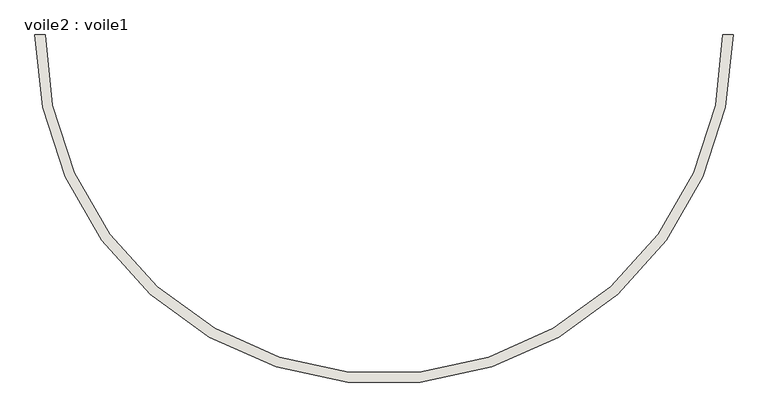
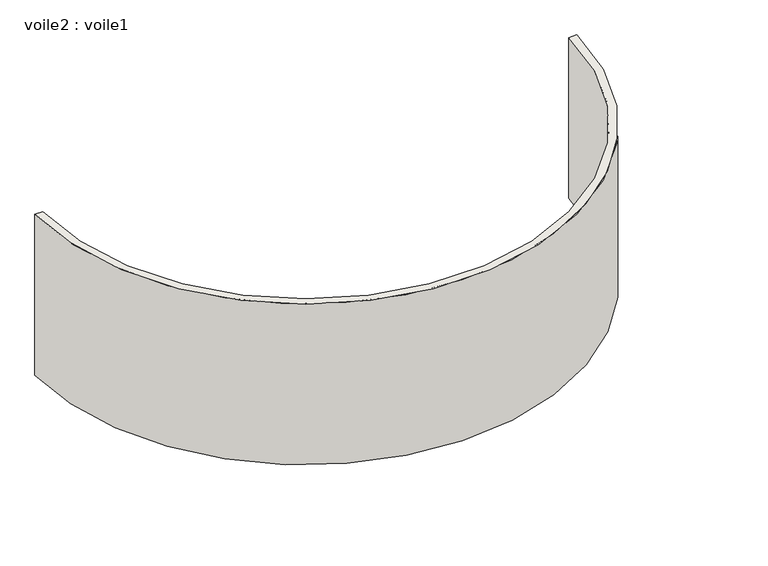
"""IFC4 building model written with IfcOpenShell, lengths in millimetres: wall geometry, voile2 : voile1."""

import ifcopenshell
import ifcopenshell.guid

model = None  # the IFC model being written
_history = None  # IfcOwnerHistory: only IFC2X3 demands one
_inside = {}  # id of a spatial element -> (the spatial element, [elements in it])
_under = {}  # id of a project, library or spatial element -> (it, [spatial elements below it])
_declared = {}  # id of a project -> (the project, [libraries it declares])
_typed = {}  # id of a type object -> (the type object, [elements of that type])
_made_of = {}  # id of a material, layer set ... -> (it, [elements and type objects made of it])


def new_model(schema):
    """Start an empty IFC model of exactly this schema.

    Asked for "IFC4X3", IfcOpenShell would pick the latest addendum, in which some entities
    have other attributes; the version numbers below select the first issue.
    IFC2X3 requires an IfcOwnerHistory on every rooted entity: one is made here for all.
    """
    global model, _history
    if schema == "IFC4X3":
        model = ifcopenshell.file(schema_version=(4, 3, 0, 0))
    else:
        model = ifcopenshell.file(schema=schema)
    _inside.clear()
    _under.clear()
    _declared.clear()
    _typed.clear()
    _made_of.clear()
    _history = None
    if model.schema == "IFC2X3":
        org = make("IfcOrganization", Name="unknown")
        user = make(
            "IfcPersonAndOrganization",
            ThePerson=make("IfcPerson", FamilyName="unknown"),
            TheOrganization=org,
        )
        app = make(
            "IfcApplication",
            ApplicationDeveloper=org,
            Version="unknown",
            ApplicationFullName="unknown",
            ApplicationIdentifier="unknown",
        )
        _history = make(
            "IfcOwnerHistory",
            OwningUser=user,
            OwningApplication=app,
            ChangeAction="ADDED",
            CreationDate=0,
        )
    return model


def make(cls, **values):
    """One entity of the class cls with the attributes given. An attribute that is None is left unset."""
    return model.create_entity(
        cls, **{name: value for name, value in values.items() if value is not None}
    )


def rooted(cls, **values):
    """An entity with a GlobalId (a new one), such as an element, a storey or a relation."""
    return make(cls, GlobalId=ifcopenshell.guid.new(), OwnerHistory=_history, **values)


def si_unit(unit_type, name, prefix=None):
    """IfcSIUnit, for example si_unit("LENGTHUNIT", "METRE", prefix="MILLI")."""
    return make("IfcSIUnit", UnitType=unit_type, Prefix=prefix, Name=name)


def assignment(units):
    """IfcUnitAssignment: the units of a project."""
    return None if units is None else make("IfcUnitAssignment", Units=units)


def point(xyz):
    """IfcCartesianPoint."""
    return None if xyz is None else make("IfcCartesianPoint", Coordinates=xyz)


def direction(xyz):
    """IfcDirection."""
    return None if xyz is None else make("IfcDirection", DirectionRatios=xyz)


def frame(location, z_axis=None, x_axis=None):
    """IfcAxis2Placement3D, a coordinate frame: its origin and axes. An axis left out is left unset."""
    return make(
        "IfcAxis2Placement3D",
        Location=point(location),
        Axis=direction(z_axis),
        RefDirection=direction(x_axis),
    )


def frame_2d(location, x_axis=None):
    """IfcAxis2Placement2D, a coordinate frame in the plane: its origin and x axis."""
    return make(
        "IfcAxis2Placement2D", Location=point(location), RefDirection=direction(x_axis)
    )


def origin():
    """The frame at (0, 0, 0) with its axes left unset."""
    return frame((0.0, 0.0, 0.0))


def place(relative_to, where):
    """IfcLocalPlacement: puts the frame where relative to a parent placement (None: the world)."""
    return make(
        "IfcLocalPlacement", PlacementRelTo=relative_to, RelativePlacement=where
    )


def context(
    kind, dimensions, precision=None, world=None, true_north=None, identifier=None
):
    """IfcGeometricRepresentationContext, for example the 3D "Model" context."""
    return make(
        "IfcGeometricRepresentationContext",
        ContextIdentifier=identifier,
        ContextType=kind,
        CoordinateSpaceDimension=dimensions,
        Precision=precision,
        WorldCoordinateSystem=world,
        TrueNorth=true_north,
    )


def project(units=None, contexts=None):
    """IfcProject with its units and contexts."""
    return rooted(
        "IfcProject",
        Name="project",
        RepresentationContexts=contexts,
        UnitsInContext=assignment(units),
    )


def spatial(cls, under=None, at=None, **own):
    """A site, building, storey or space (cls), placed at a placement, below another one or the project."""
    s = rooted(cls, ObjectPlacement=at, **own)
    if under is not None:
        _under.setdefault(under.id(), (under, []))[1].append(s)
    return s


def polyline(points):
    """IfcPolyline through the points."""
    return make("IfcPolyline", Points=[point(p) for p in points])


def circle_curve(where, radius):
    """IfcCircle in the frame where."""
    return make("IfcCircle", Position=where, Radius=radius)


def trimmed(basis, trim1, trim2, sense, master):
    """IfcTrimmedCurve: the piece of a basis curve between two trims."""
    return make(
        "IfcTrimmedCurve",
        BasisCurve=basis,
        Trim1=trim1,
        Trim2=trim2,
        SenseAgreement=sense,
        MasterRepresentation=master,
    )


def segment(curve, same_sense, transition):
    """IfcCompositeCurveSegment."""
    return make(
        "IfcCompositeCurveSegment",
        Transition=transition,
        SameSense=same_sense,
        ParentCurve=curve,
    )


def composite_curve(segments, self_intersect=None):
    """IfcCompositeCurve: segments joined end to end."""
    return make("IfcCompositeCurve", Segments=segments, SelfIntersect=self_intersect)


def outline(outer, holes=None, kind="AREA"):
    """IfcArbitraryClosedProfileDef: a profile drawn as a closed curve; with holes, ...WithVoids."""
    if holes is None:
        return make("IfcArbitraryClosedProfileDef", ProfileType=kind, OuterCurve=outer)
    return make(
        "IfcArbitraryProfileDefWithVoids",
        ProfileType=kind,
        OuterCurve=outer,
        InnerCurves=holes,
    )


def extrude(swept, where, along, depth):
    """IfcExtrudedAreaSolid: the profile swept, set in the frame where, extruded along a direction by depth."""
    return make(
        "IfcExtrudedAreaSolid",
        SweptArea=swept,
        Position=where,
        ExtrudedDirection=direction(along),
        Depth=depth,
    )


def shape(context_of_items, identifier, shape_type, items):
    """IfcShapeRepresentation: the items that make up one representation, for example the "Body"."""
    return make(
        "IfcShapeRepresentation",
        ContextOfItems=context_of_items,
        RepresentationIdentifier=identifier,
        RepresentationType=shape_type,
        Items=items,
    )


def source(mapping_origin, context_of_items, identifier, shape_type, items):
    """IfcRepresentationMap: a shape defined once, which mapped items show again and again."""
    return make(
        "IfcRepresentationMap",
        MappingOrigin=mapping_origin,
        MappedRepresentation=shape(context_of_items, identifier, shape_type, items),
    )


def transform(
    local_origin,
    x_axis=None,
    y_axis=None,
    z_axis=None,
    scale=None,
    scale2=None,
    scale3=None,
    uniform=True,
):
    """IfcCartesianTransformationOperator3D, or its non-uniform kind. x_axis, y_axis, z_axis: its Axis1, 2, 3."""
    if uniform:
        return make(
            "IfcCartesianTransformationOperator3D",
            Axis1=direction(x_axis),
            Axis2=direction(y_axis),
            LocalOrigin=point(local_origin),
            Scale=scale,
            Axis3=direction(z_axis),
        )
    return make(
        "IfcCartesianTransformationOperator3DnonUniform",
        Axis1=direction(x_axis),
        Axis2=direction(y_axis),
        LocalOrigin=point(local_origin),
        Scale=scale,
        Axis3=direction(z_axis),
        Scale2=scale2,
        Scale3=scale3,
    )


def mapped(mapping_source, mapping_target):
    """IfcMappedItem: shows the shape of a source again, moved by a transform."""
    return make(
        "IfcMappedItem", MappingSource=mapping_source, MappingTarget=mapping_target
    )


def made_of(thing, what):
    """Note that an element or type object is made of a material, layer set ...; save() writes the relation."""
    if what is not None:
        _made_of.setdefault(what.id(), (what, []))[1].append(thing)
    return thing


def element(
    cls,
    number,
    at=None,
    inside=None,
    cuts=None,
    type_object=None,
    material=None,
    context=None,
    identifier="Body",
    shape_type=None,
    held_by="IfcProductDefinitionShape",
    body=None,
    shapes=None,
    **own,
):
    """One element of the class cls, such as IfcWall. Its Tag is "e" and its number.

    at: its placement. inside: the storey or other place that contains it. cuts: it is an
    opening in that element (IfcRelVoidsElement). A single representation is given by context,
    identifier, shape_type and body (its items); several are given by shapes. held_by: the class
    of the entity that holds the representations. save() writes the other relations.
    """
    e = rooted(cls, Tag="e%d" % number, ObjectPlacement=at, **own)
    if body is not None:
        shapes = [shape(context, identifier, shape_type, body)]
    if shapes is not None:
        e.Representation = make(held_by, Representations=shapes)
    if inside is not None:
        _inside.setdefault(inside.id(), (inside, []))[1].append(e)
    if cuts is not None:
        rooted(
            "IfcRelVoidsElement", RelatingBuildingElement=cuts, RelatedOpeningElement=e
        )
    if type_object is not None:
        _typed.setdefault(type_object.id(), (type_object, []))[1].append(e)
    return made_of(e, material)


def aggregate(whole, parts):
    """IfcRelAggregates: a whole, such as a stair, and the parts it consists of."""
    return rooted("IfcRelAggregates", RelatingObject=whole, RelatedObjects=parts)


def save(model, path):
    """Write the relations noted so far, then the file.

    IfcRelAggregates (storeys below a building ...), IfcRelContainedInSpatialStructure (elements
    in a storey), IfcRelDefinesByType, IfcRelAssociatesMaterial and IfcRelDeclares: one each for
    every whole, place, type object, material and project.
    """
    for whole, parts in _under.values():
        aggregate(whole, parts)
    for where, things in _inside.values():
        rooted(
            "IfcRelContainedInSpatialStructure",
            RelatedElements=things,
            RelatingStructure=where,
        )
    for kind, things in _typed.values():
        rooted("IfcRelDefinesByType", RelatedObjects=things, RelatingType=kind)
    for what, things in _made_of.values():
        rooted("IfcRelAssociatesMaterial", RelatedObjects=things, RelatingMaterial=what)
    for by, libraries in _declared.values():
        rooted("IfcRelDeclares", RelatingContext=by, RelatedDefinitions=libraries)
    model.write(path)


def voile2_voile1_9c8a787c(model_context):
    return source(origin(), model_context, "Body", "SweptSolid", [
        extrude(outline(composite_curve([segment(trimmed(circle_curve(frame_2d((-179.655946, 100.4275794)), 12100.0), [point((11920.344054, 100.4275794))], [point((-12279.655946, 100.4275794))], False, "CARTESIAN"), True, "CONTINUOUS"), segment(polyline([(-12279.655946, 100.4275794), (-11929.655946, 100.4275794)]), True, "CONTINUOUS"), segment(trimmed(circle_curve(frame_2d((-179.655946, 100.4275794)), 11750.0), [point((-11929.655946, 100.4275794))], [point((11570.344054, 100.4275794))], True, "CARTESIAN"), True, "CONTINUOUS"), segment(polyline([(11570.344054, 100.4275794), (11920.344054, 100.4275794)]), True, "CONTINUOUS")], self_intersect=False)), frame((0.0, 0.0, -2050.0), z_axis=(0.0, 0.0, 1.0), x_axis=(1.0, 0.0, 0.0)), (0.0, 0.0, 1.0), 7600.0),
    ])


if __name__ == "__main__":
    model = new_model("IFC4")
    model_context = context("Model", 3, world=origin())
    ifc_project = project(units=[si_unit("LENGTHUNIT", "METRE", prefix="MILLI")], contexts=[model_context])
    site = spatial("IfcSite", under=ifc_project)
    building = spatial("IfcBuilding", under=site)
    placement = place(None, origin())
    voile2_voile1_shape = voile2_voile1_9c8a787c(model_context)
    element("IfcWall", 1, ObjectType="voile2 : voile1", at=placement, inside=building, context=model_context, shape_type="MappedRepresentation", body=[
        mapped(voile2_voile1_shape, transform((0.0, 0.0, 0.0), x_axis=(1.0, 0.0, 0.0), y_axis=(0.0, 1.0, 0.0), z_axis=(0.0, 0.0, 1.0))),
    ])
    save(model, "model.ifc")
